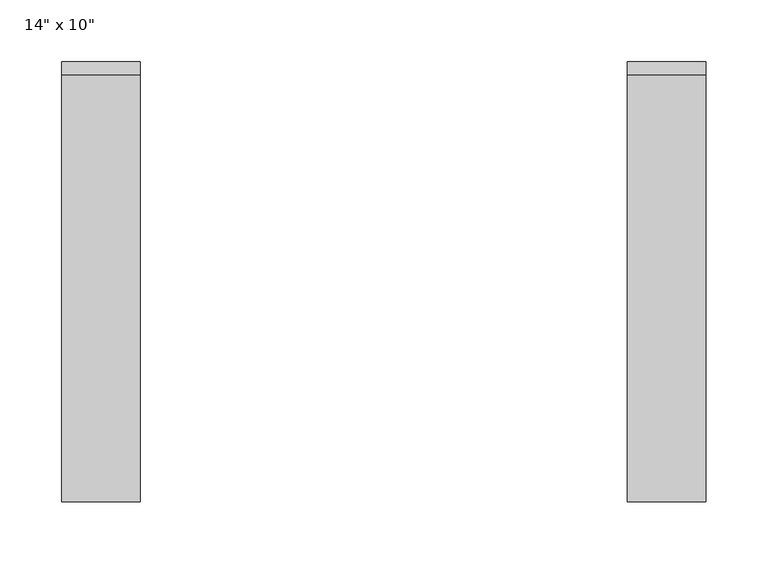
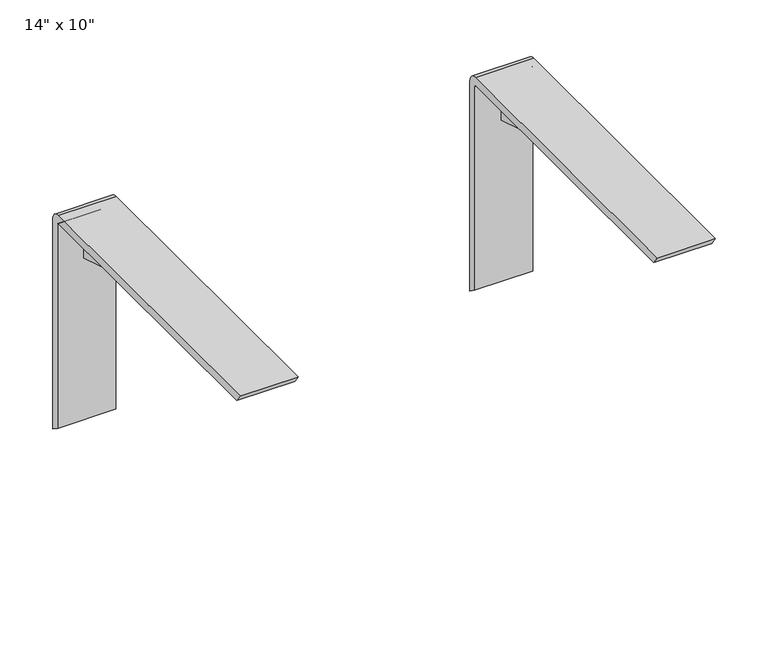
"""IFC4 building model written with IfcOpenShell, lengths in millimetres: furniture geometry."""

from ifc_helpers import new_model, si_unit, point, frame, frame_2d, origin, place, context, project, spatial, polyline, circle_curve, trimmed, segment, composite_curve, outline, extrude, source, transform, mapped, element, save


def furniture_bb7c58ec(model_context):
    return source(origin(), model_context, "Body", "SweptSolid", [
        extrude(outline(polyline([(-162.052, 901.700002), (-162.052, 904.875), (-28.5749977, 904.875), (-9.525, 885.8250023), (-9.525, 854.0750014), (-162.052, 901.700002)])), frame((485.775001, 0.0, 0.0), z_axis=(1.0, 0.0, 0.0), x_axis=(0.0, 1.0, 0.0)), (0.0, 0.0, 1.0), 6.35),
        extrude(outline(composite_curve([segment(polyline([(-348.9305232, 904.875), (-355.6, 914.4), (-10.8699169, 914.4)]), True, "CONTINUOUS"), segment(trimmed(circle_curve(frame_2d((-10.8699169, 903.5300831)), 10.8699169), [point((-10.8699169, 914.4))], [point((0.0, 903.5300831))], False, "CARTESIAN"), True, "CONTINUOUS"), segment(polyline([(0.0, 903.5300831), (0.0, 660.4), (-9.525, 667.0694768), (-9.525, 903.2329372)]), True, "CONTINUOUS"), segment(trimmed(circle_curve(frame_2d((-11.1670628, 903.2329372)), 1.6420628), [point((-9.525, 903.2329372))], [point((-11.1670628, 904.875))], True, "CARTESIAN"), True, "CONTINUOUS"), segment(polyline([(-11.1670628, 904.875), (-348.9305232, 904.875)]), True, "CONTINUOUS")], self_intersect=False)), frame((457.2, 0.0, 0.0), z_axis=(1.0, 0.0, 0.0), x_axis=(0.0, 1.0, 0.0)), (0.0, 0.0, 1.0), 63.500002),
        extrude(outline(polyline([(-162.052, 901.700002), (-162.052, 904.875), (-28.5749977, 904.875), (-9.525, 885.8250023), (-9.525, 854.0750014), (-162.052, 901.700002)])), frame((28.575001, 0.0, 0.0), z_axis=(1.0, 0.0, 0.0), x_axis=(0.0, 1.0, 0.0)), (0.0, 0.0, 1.0), 6.35),
        extrude(outline(composite_curve([segment(polyline([(-348.9305232, 904.875), (-355.6, 914.4), (-10.8699169, 914.4)]), True, "CONTINUOUS"), segment(trimmed(circle_curve(frame_2d((-10.8699169, 903.5300831)), 10.8699169), [point((-10.8699169, 914.4))], [point((0.0, 903.5300831))], False, "CARTESIAN"), True, "CONTINUOUS"), segment(polyline([(0.0, 903.5300831), (0.0, 660.4), (-9.525, 667.0694768), (-9.525, 903.2329372)]), True, "CONTINUOUS"), segment(trimmed(circle_curve(frame_2d((-11.1670628, 903.2329372)), 1.6420628), [point((-9.525, 903.2329372))], [point((-11.1670628, 904.875))], True, "CARTESIAN"), True, "CONTINUOUS"), segment(polyline([(-11.1670628, 904.875), (-348.9305232, 904.875)]), True, "CONTINUOUS")], self_intersect=False)), frame((0.0, 0.0, 0.0), z_axis=(1.0, 0.0, 0.0), x_axis=(0.0, 1.0, 0.0)), (0.0, 0.0, 1.0), 63.500002),
    ])


if __name__ == "__main__":
    model = new_model("IFC4")
    model_context = context("Model", 3, world=origin())
    ifc_project = project(units=[si_unit("LENGTHUNIT", "METRE", prefix="MILLI")], contexts=[model_context])
    site = spatial("IfcSite", under=ifc_project)
    building = spatial("IfcBuilding", under=site)
    placement = place(None, origin())
    furniture_shape = furniture_bb7c58ec(model_context)
    element("IfcFurniture", 1, ObjectType="14\" x 10\"", at=placement, inside=building, context=model_context, shape_type="MappedRepresentation", body=[
        mapped(furniture_shape, transform((0.0, 0.0, 0.0), x_axis=(1.0, 0.0, 0.0), y_axis=(0.0, 1.0, 0.0), z_axis=(0.0, 0.0, 1.0))),
    ])
    save(model, "model.ifc")
